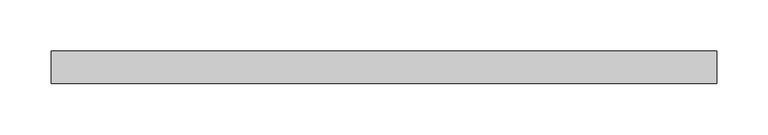
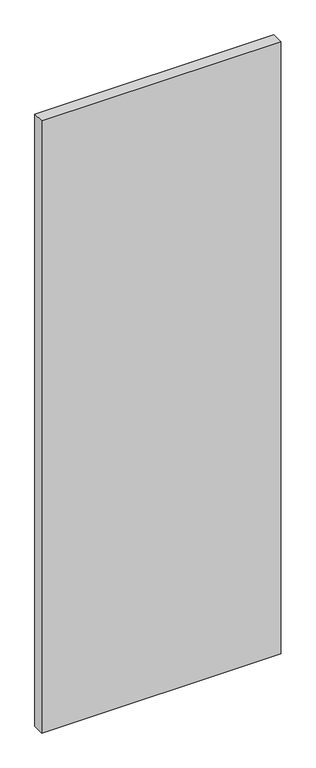
"""IFC4 building model written with IfcOpenShell, lengths in millimetres: plate geometry."""

from ifc_helpers import new_model, si_unit, origin, origin_with_axes, place, context, project, spatial, polyline, outline, extrude, source, transform, mapped, element, save


def plate_5123fc34(model_context):
    return source(origin(), model_context, "Body", "SweptSolid", [
        extrude(outline(polyline([(325.2390625, -15.875), (-325.2390625, -15.875), (-325.2390625, 15.875), (325.2390625, 15.875), (325.2390625, -15.875)])), origin_with_axes(), (0.0, 0.0, 1.0), 1761.2320313),
    ])


if __name__ == "__main__":
    model = new_model("IFC4")
    model_context = context("Model", 3, world=origin())
    ifc_project = project(units=[si_unit("LENGTHUNIT", "METRE", prefix="MILLI")], contexts=[model_context])
    site = spatial("IfcSite", under=ifc_project)
    building = spatial("IfcBuilding", under=site)
    placement = place(None, origin())
    plate_shape = plate_5123fc34(model_context)
    element("IfcPlate", 1, at=placement, inside=building, context=model_context, shape_type="MappedRepresentation", body=[
        mapped(plate_shape, transform((0.0, 0.0, 0.0), x_axis=(1.0, 0.0, 0.0), y_axis=(0.0, 1.0, 0.0), z_axis=(0.0, 0.0, 1.0))),
    ])
    save(model, "model.ifc")
